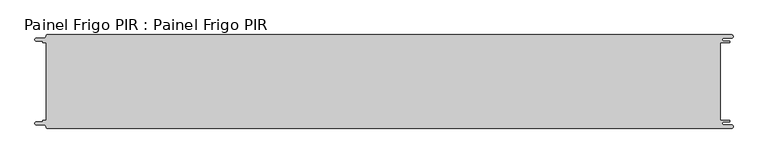
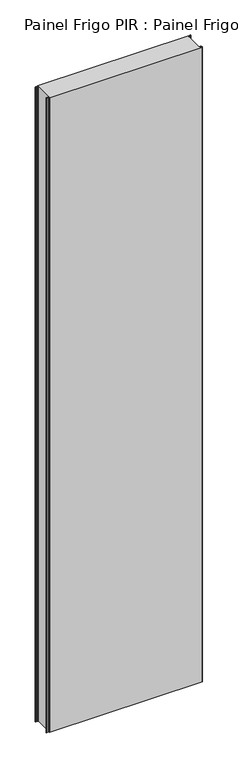
"""IFC4 building model written with IfcOpenShell, lengths in millimetres: proxy geometry, Painel Frigo PIR : Painel Frigo PIR."""

from ifc_helpers import new_model, si_unit, frame, origin, place, context, project, spatial, polyline, circle_curve, source, transform, mapped, element, save
from ifc_brep_helpers import plane_surface, cylinder_surface, revolved_surface, advanced_brep


def painel_frigo_pir_painel_frigo_pir_7dae2c41(model_context):
    return source(origin(), model_context, "Body", "AdvancedBrep", [
        advanced_brep(
        [(-554.5874998, -62.3, 4800.0), (-555.1874998, -62.9, 4800.0), (-555.1874998, -63.7085184, 4800.0), (-556.5875001, -65.1085187, 4800.0), (-565.565625, -65.1085187, 4800.0), (-565.565625, -69.5085185, 4800.0), (-553.55, -69.5085185, 4800.0), (-550.0, -73.0585185, 4800.0), (-548.05, -75.0, 4800.0), (546.89375, -75.0, 4800.0), (546.89375, -69.725, 4800.0), (534.45625, -69.725, 4800.0), (534.45625, -64.875, 4800.0), (543.1187503, -64.875, 4800.0), (543.1187503, -62.3, 4800.0), (529.2687503, -62.3, 4800.0), (529.2687503, 62.3, 4800.0), (543.1187503, 62.3, 4800.0), (543.1187503, 64.875, 4800.0), (534.45625, 64.875, 4800.0), (534.45625, 69.725, 4800.0), (546.89375, 69.725, 4800.0), (546.89375, 75.0, 4800.0), (-548.05, 75.0, 4800.0), (-550.0, 73.05, 4800.0), (-553.55, 69.5085185, 4800.0), (-565.565625, 69.5085185, 4800.0), (-565.565625, 65.1085185, 4800.0), (-556.5875003, 65.1085185, 4800.0), (-555.1875003, 63.7085185, 4800.0), (-555.1875003, 62.9, 4800.0), (-554.5874998, 62.2999995, 4800.0), (-549.2999612, 62.2999995, 4800.0), (-549.2999612, -62.3, 4800.0), (-554.5874998, -62.3, 0.0), (-549.2999612, -62.3, 0.0), (-549.2999612, 62.2999995, 0.0), (-554.5874998, 62.2999995, 0.0), (-555.1875003, 62.9, 0.0), (-555.1875003, 63.7085185, 0.0), (-556.5875003, 65.1085185, 0.0), (-565.565625, 65.1085185, 0.0), (-565.565625, 69.5085185, 0.0), (-553.55, 69.5085185, 0.0), (-550.0, 73.0585185, 0.0), (-548.05, 75.0, 0.0), (546.89375, 75.0, 0.0), (546.89375, 69.725, 0.0), (534.45625, 69.725, 0.0), (534.45625, 64.875, 0.0), (543.1187503, 64.875, 0.0), (543.1187503, 62.3, 0.0), (529.2687503, 62.3, 0.0), (529.2687503, -62.3, 0.0), (543.1187503, -62.3, 0.0), (543.1187503, -64.875, 0.0), (534.45625, -64.875, 0.0), (534.45625, -69.725, 0.0), (546.89375, -69.725, 0.0), (546.89375, -75.0, 0.0), (-548.05, -75.0, 0.0), (-550.0, -73.05, 0.0), (-553.55, -69.5085185, 0.0), (-565.565625, -69.5085185, 0.0), (-565.565625, -65.1085187, 0.0), (-556.5875001, -65.1085187, 0.0), (-555.1874998, -63.7085184, 0.0), (-555.1874998, -62.9, 0.0)],
        [
            (0, 1, circle_curve(frame((-554.5874998, -62.9, 4800.0), z_axis=(0.0, 0.0, 1.0), x_axis=(1.0, 0.0, 0.0)), 0.6)),
            (1, 2),
            (2, 3, circle_curve(frame((-556.5875001, -63.7085184, 4800.0), z_axis=(0.0, 0.0, -1.0), x_axis=(1.0, 0.0, 0.0)), 1.4000003)),
            (3, 4),
            (4, 5, circle_curve(frame((-565.565625, -67.3085186, 4800.0), z_axis=(0.0, 0.0, 1.0), x_axis=(1.0, 0.0, 0.0)), 2.1999999)),
            (5, 6),
            (6, 7, circle_curve(frame((-553.55, -73.0585185, 4800.0), z_axis=(0.0, 0.0, -1.0), x_axis=(1.0, 0.0, 0.0)), 3.55)),
            (7, 8, circle_curve(frame((-548.05, -73.05, 4800.0), z_axis=(0.0, 0.0, 1.0), x_axis=(1.0, 0.0, 0.0)), 1.95)),
            (8, 9),
            (9, 10, circle_curve(frame((546.89375, -72.3625, 4800.0), z_axis=(0.0, 0.0, 1.0), x_axis=(1.0, 0.0, 0.0)), 2.6375)),
            (10, 11),
            (11, 12, circle_curve(frame((534.45625, -67.3, 4800.0), z_axis=(0.0, 0.0, -1.0), x_axis=(1.0, 0.0, 0.0)), 2.425)),
            (12, 13),
            (13, 14, circle_curve(frame((543.1187503, -63.5875, 4800.0), z_axis=(0.0, 0.0, 1.0), x_axis=(1.0, 0.0, 0.0)), 1.2875)),
            (14, 15),
            (15, 16),
            (16, 17),
            (17, 18, circle_curve(frame((543.1187503, 63.5875, 4800.0), z_axis=(0.0, 0.0, 1.0), x_axis=(1.0, 0.0, 0.0)), 1.2875)),
            (18, 19),
            (19, 20, circle_curve(frame((534.45625, 67.3, 4800.0), z_axis=(0.0, 0.0, -1.0), x_axis=(1.0, 0.0, 0.0)), 2.425)),
            (20, 21),
            (21, 22, circle_curve(frame((546.89375, 72.3625, 4800.0), z_axis=(0.0, 0.0, 1.0), x_axis=(1.0, 0.0, 0.0)), 2.6375)),
            (22, 23),
            (23, 24, circle_curve(frame((-548.05, 73.05, 4800.0), z_axis=(0.0, 0.0, 1.0), x_axis=(1.0, 0.0, 0.0)), 1.95)),
            (24, 25, circle_curve(frame((-553.55, 73.0585185, 4800.0), z_axis=(0.0, 0.0, -1.0), x_axis=(1.0, 0.0, 0.0)), 3.55)),
            (25, 26),
            (26, 27, circle_curve(frame((-565.565625, 67.3085185, 4800.0), z_axis=(0.0, 0.0, 1.0), x_axis=(1.0, 0.0, 0.0)), 2.2)),
            (27, 28),
            (28, 29, circle_curve(frame((-556.5875003, 63.7085185, 4800.0), z_axis=(0.0, 0.0, -1.0), x_axis=(1.0, 0.0, 0.0)), 1.4)),
            (29, 30),
            (30, 31, circle_curve(frame((-554.5874998, 62.9, 4800.0), z_axis=(0.0, 0.0, 1.0), x_axis=(1.0, 0.0, 0.0)), 0.6000005)),
            (31, 32),
            (32, 33),
            (33, 0),
            (34, 35),
            (35, 36),
            (36, 37),
            (37, 38, circle_curve(frame((-554.5874998, 62.9, 0.0), z_axis=(0.0, 0.0, -1.0), x_axis=(1.0, 0.0, 0.0)), 0.6000005)),
            (38, 39),
            (39, 40, circle_curve(frame((-556.5875003, 63.7085185, 0.0), z_axis=(0.0, 0.0, 1.0), x_axis=(1.0, 0.0, 0.0)), 1.4)),
            (40, 41),
            (41, 42, circle_curve(frame((-565.565625, 67.3085185, 0.0), z_axis=(0.0, 0.0, -1.0), x_axis=(1.0, 0.0, 0.0)), 2.2)),
            (42, 43),
            (43, 44, circle_curve(frame((-553.55, 73.0585185, 0.0), z_axis=(0.0, 0.0, 1.0), x_axis=(1.0, 0.0, 0.0)), 3.55)),
            (44, 45, circle_curve(frame((-548.05, 73.05, 0.0), z_axis=(0.0, 0.0, -1.0), x_axis=(1.0, 0.0, 0.0)), 1.95)),
            (45, 46),
            (46, 47, circle_curve(frame((546.89375, 72.3625, 0.0), z_axis=(0.0, 0.0, -1.0), x_axis=(1.0, 0.0, 0.0)), 2.6375)),
            (47, 48),
            (48, 49, circle_curve(frame((534.45625, 67.3, 0.0), z_axis=(0.0, 0.0, 1.0), x_axis=(1.0, 0.0, 0.0)), 2.425)),
            (49, 50),
            (50, 51, circle_curve(frame((543.1187503, 63.5875, 0.0), z_axis=(0.0, 0.0, -1.0), x_axis=(1.0, 0.0, 0.0)), 1.2875)),
            (51, 52),
            (52, 53),
            (53, 54),
            (54, 55, circle_curve(frame((543.1187503, -63.5875, 0.0), z_axis=(0.0, 0.0, -1.0), x_axis=(1.0, 0.0, 0.0)), 1.2875)),
            (55, 56),
            (56, 57, circle_curve(frame((534.45625, -67.3, 0.0), z_axis=(0.0, 0.0, 1.0), x_axis=(1.0, 0.0, 0.0)), 2.425)),
            (57, 58),
            (58, 59, circle_curve(frame((546.89375, -72.3625, 0.0), z_axis=(0.0, 0.0, -1.0), x_axis=(1.0, 0.0, 0.0)), 2.6375)),
            (59, 60),
            (60, 61, circle_curve(frame((-548.05, -73.05, 0.0), z_axis=(0.0, 0.0, -1.0), x_axis=(1.0, 0.0, 0.0)), 1.95)),
            (61, 62, circle_curve(frame((-553.55, -73.0585185, 0.0), z_axis=(0.0, 0.0, 1.0), x_axis=(1.0, 0.0, 0.0)), 3.55)),
            (62, 63),
            (63, 64, circle_curve(frame((-565.565625, -67.3085186, 0.0), z_axis=(0.0, 0.0, -1.0), x_axis=(1.0, 0.0, 0.0)), 2.1999999)),
            (64, 65),
            (65, 66, circle_curve(frame((-556.5875001, -63.7085184, 0.0), z_axis=(0.0, 0.0, 1.0), x_axis=(1.0, 0.0, 0.0)), 1.4000003)),
            (66, 67),
            (67, 34, circle_curve(frame((-554.5874998, -62.9, 0.0), z_axis=(0.0, 0.0, -1.0), x_axis=(1.0, 0.0, 0.0)), 0.6)),
            (33, 35),
            (34, 0),
            (32, 36),
            (31, 37),
            (30, 38),
            (29, 39),
            (28, 40),
            (27, 41),
            (26, 42),
            (25, 43),
            (24, 44),
            (23, 45),
            (22, 46),
            (15, 53),
            (52, 16),
            (14, 54),
            (13, 55),
            (12, 56),
            (11, 57),
            (10, 58),
            (9, 59),
            (8, 60),
            (7, 61),
            (6, 62),
            (5, 63),
            (4, 64),
            (3, 65),
            (2, 66),
            (1, 67),
            (21, 47),
            (20, 48),
            (19, 49),
            (18, 50),
            (17, 51),
        ],
        [
            plane_surface(frame((-549.2999612, -62.3, 4800.0), z_axis=(0.0, 0.0, 1.0), x_axis=(1.0, 0.0, 0.0))),
            plane_surface(frame((-549.2999612, -62.3, 0.0), z_axis=(0.0, 0.0, -1.0), x_axis=(-1.0, 0.0, 0.0))),
            plane_surface(frame((-554.5874998, -62.3, 4800.0), z_axis=(0.0, 1.0, 0.0), x_axis=(0.0, 0.0, -1.0))),
            plane_surface(frame((-549.2999612, -62.3, 4800.0), z_axis=(-1.0, 0.0, 0.0), x_axis=(0.0, 0.0, -1.0))),
            plane_surface(frame((-549.2999612, 62.2999995, 4800.0), z_axis=(0.0, -1.0, 0.0), x_axis=(0.0, 0.0, -1.0))),
            cylinder_surface(frame((-554.5874998, 62.9, 0.0), z_axis=(0.0, 0.0, 1.0), x_axis=(1.0, 0.0, 0.0)), 0.6000005),
            plane_surface(frame((-555.1875003, 62.9, 4800.0), z_axis=(-1.0, -1.7578608662329888e-12, 0.0), x_axis=(0.0, 0.0, -1.0))),
            revolved_surface(polyline([(-555.1875003, 63.7085185, 0.0), (-555.1875003, 63.7085185, 4800.0)]), (-556.5875003, 63.7085185, 0.0), (0.0, 0.0, -1.0)),
            plane_surface(frame((-556.5875003, 65.1085185, 4800.0), z_axis=(0.0, -1.0, 0.0), x_axis=(0.0, 0.0, -1.0))),
            cylinder_surface(frame((-565.565625, 67.3085185, 0.0), z_axis=(0.0, 0.0, 1.0), x_axis=(1.0, 0.0, 0.0)), 2.2),
            plane_surface(frame((-565.565625, 69.5085185, 4800.0), z_axis=(0.0, 1.0, 0.0), x_axis=(0.0, 0.0, -1.0))),
            revolved_surface(polyline([(-550.0, 73.0585185, 0.0), (-550.0, 73.0585185, 4800.0)]), (-553.55, 73.0585185, 0.0), (0.0, 0.0, -1.0)),
            cylinder_surface(frame((-548.05, 73.05, 0.0), z_axis=(0.0, 0.0, 1.0), x_axis=(1.0, 0.0, 0.0)), 1.95),
            plane_surface(frame((-548.05, 75.0, 4800.0), z_axis=(0.0, 1.0, 0.0), x_axis=(0.0, 0.0, -1.0))),
            plane_surface(frame((529.2687503, 62.3, 4800.0), z_axis=(1.0, 0.0, 0.0), x_axis=(0.0, 0.0, -1.0))),
            plane_surface(frame((529.2687503, -62.3, 4800.0), z_axis=(0.0, 1.0, 0.0), x_axis=(0.0, 0.0, -1.0))),
            cylinder_surface(frame((543.1187503, -63.5875, 0.0), z_axis=(0.0, 0.0, 1.0), x_axis=(1.0, 0.0, 0.0)), 1.2875),
            plane_surface(frame((543.1187503, -64.875, 4800.0), z_axis=(0.0, -1.0, 0.0), x_axis=(0.0, 0.0, -1.0))),
            revolved_surface(polyline([(536.8812499999999, -67.3, 0.0), (536.8812499999999, -67.3, 4800.0)]), (534.45625, -67.3, 0.0), (0.0, 0.0, -1.0)),
            plane_surface(frame((534.45625, -69.725, 4800.0), z_axis=(0.0, 1.0, 0.0), x_axis=(0.0, 0.0, -1.0))),
            cylinder_surface(frame((546.89375, -72.3625, 0.0), z_axis=(0.0, 0.0, 1.0), x_axis=(1.0, 0.0, 0.0)), 2.6375),
            plane_surface(frame((546.89375, -75.0, 4800.0), z_axis=(0.0, -1.0, 0.0), x_axis=(0.0, 0.0, -1.0))),
            cylinder_surface(frame((-548.05, -73.05, 0.0), z_axis=(0.0, 0.0, 1.0), x_axis=(1.0, 0.0, 0.0)), 1.95),
            revolved_surface(polyline([(-550.0, -73.0585185, 0.0), (-550.0, -73.0585185, 4800.0)]), (-553.55, -73.0585185, 0.0), (0.0, 0.0, -1.0)),
            plane_surface(frame((-553.55, -69.5085185, 4800.0), z_axis=(0.0, -1.0, 0.0), x_axis=(0.0, 0.0, -1.0))),
            cylinder_surface(frame((-565.565625, -67.3085186, 0.0), z_axis=(0.0, 0.0, 1.0), x_axis=(1.0, 0.0, 0.0)), 2.1999999),
            plane_surface(frame((-565.565625, -65.1085187, 4800.0), z_axis=(0.0, 1.0, 0.0), x_axis=(0.0, 0.0, -1.0))),
            revolved_surface(polyline([(-555.1874998000001, -63.7085184, 0.0), (-555.1874998000001, -63.7085184, 4800.0)]), (-556.5875001, -63.7085184, 0.0), (0.0, 0.0, -1.0)),
            plane_surface(frame((-555.1874998, -63.7085184, 4800.0), z_axis=(-1.0, 0.0, 0.0), x_axis=(0.0, 0.0, -1.0))),
            cylinder_surface(frame((-554.5874998, -62.9, 0.0), z_axis=(0.0, 0.0, 1.0), x_axis=(1.0, 0.0, 0.0)), 0.6),
            cylinder_surface(frame((546.89375, 72.3625, 0.0), z_axis=(0.0, 0.0, 1.0), x_axis=(1.0, 0.0, 0.0)), 2.6375),
            plane_surface(frame((546.89375, 69.725, 4800.0), z_axis=(0.0, -1.0, 0.0), x_axis=(0.0, 0.0, -1.0))),
            revolved_surface(polyline([(536.8812499999999, 67.3, 0.0), (536.8812499999999, 67.3, 4800.0)]), (534.45625, 67.3, 0.0), (0.0, 0.0, -1.0)),
            plane_surface(frame((534.45625, 64.875, 4800.0), z_axis=(0.0, 1.0, 0.0), x_axis=(0.0, 0.0, -1.0))),
            cylinder_surface(frame((543.1187503, 63.5875, 0.0), z_axis=(0.0, 0.0, 1.0), x_axis=(1.0, 0.0, 0.0)), 1.2875),
            plane_surface(frame((543.1187503, 62.3, 4800.0), z_axis=(0.0, -1.0, 0.0), x_axis=(0.0, 0.0, -1.0))),
        ],
        [
            (0, [[1, 2, 3, 4, 5, 6, 7, 8, 9, 10, 11, 12, 13, 14, 15, 16, 17, 18, 19, 20, 21, 22, 23, 24, 25, 26, 27, 28, 29, 30, 31, 32, 33, 34]]),
            (1, [[35, 36, 37, 38, 39, 40, 41, 42, 43, 44, 45, 46, 47, 48, 49, 50, 51, 52, 53, 54, 55, 56, 57, 58, 59, 60, 61, 62, 63, 64, 65, 66, 67, 68]]),
            (2, [[69, -35, 70, -34]]),
            (3, [[71, -36, -69, -33]]),
            (4, [[72, -37, -71, -32]]),
            (5, [[73, -38, -72, -31]]),
            (6, [[74, -39, -73, -30]]),
            (7, [[75, -40, -74, -29]]),
            (8, [[76, -41, -75, -28]]),
            (9, [[77, -42, -76, -27]]),
            (10, [[78, -43, -77, -26]]),
            (11, [[79, -44, -78, -25]]),
            (12, [[80, -45, -79, -24]]),
            (13, [[81, -46, -80, -23]]),
            (14, [[82, -53, 83, -16]]),
            (15, [[84, -54, -82, -15]]),
            (16, [[85, -55, -84, -14]]),
            (17, [[86, -56, -85, -13]]),
            (18, [[87, -57, -86, -12]]),
            (19, [[88, -58, -87, -11]]),
            (20, [[89, -59, -88, -10]]),
            (21, [[90, -60, -89, -9]]),
            (22, [[91, -61, -90, -8]]),
            (23, [[92, -62, -91, -7]]),
            (24, [[93, -63, -92, -6]]),
            (25, [[94, -64, -93, -5]]),
            (26, [[95, -65, -94, -4]]),
            (27, [[96, -66, -95, -3]]),
            (28, [[97, -67, -96, -2]]),
            (29, [[-70, -68, -97, -1]]),
            (30, [[98, -47, -81, -22]]),
            (31, [[99, -48, -98, -21]]),
            (32, [[100, -49, -99, -20]]),
            (33, [[101, -50, -100, -19]]),
            (34, [[102, -51, -101, -18]]),
            (35, [[-83, -52, -102, -17]]),
        ],
    ),
    ])


if __name__ == "__main__":
    model = new_model("IFC4")
    model_context = context("Model", 3, world=origin())
    ifc_project = project(units=[si_unit("LENGTHUNIT", "METRE", prefix="MILLI")], contexts=[model_context])
    site = spatial("IfcSite", under=ifc_project)
    building = spatial("IfcBuilding", under=site)
    placement = place(None, origin())
    painel_frigo_pir_painel_frigo_pir_shape = painel_frigo_pir_painel_frigo_pir_7dae2c41(model_context)
    element("IfcBuildingElementProxy", 1, Name="Painel Frigo PIR : Painel Frigo PIR", ObjectType="Painel Frigo PIR : Painel Frigo PIR", at=placement, inside=building, context=model_context, shape_type="MappedRepresentation", body=[
        mapped(painel_frigo_pir_painel_frigo_pir_shape, transform((0.0, 0.0, 0.0), x_axis=(1.0, 0.0, 0.0), y_axis=(0.0, 1.0, 0.0), z_axis=(0.0, 0.0, 1.0))),
    ])
    save(model, "model.ifc")
